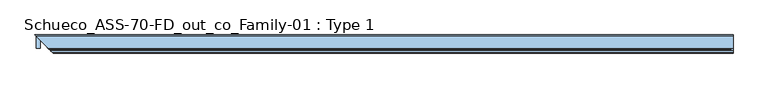
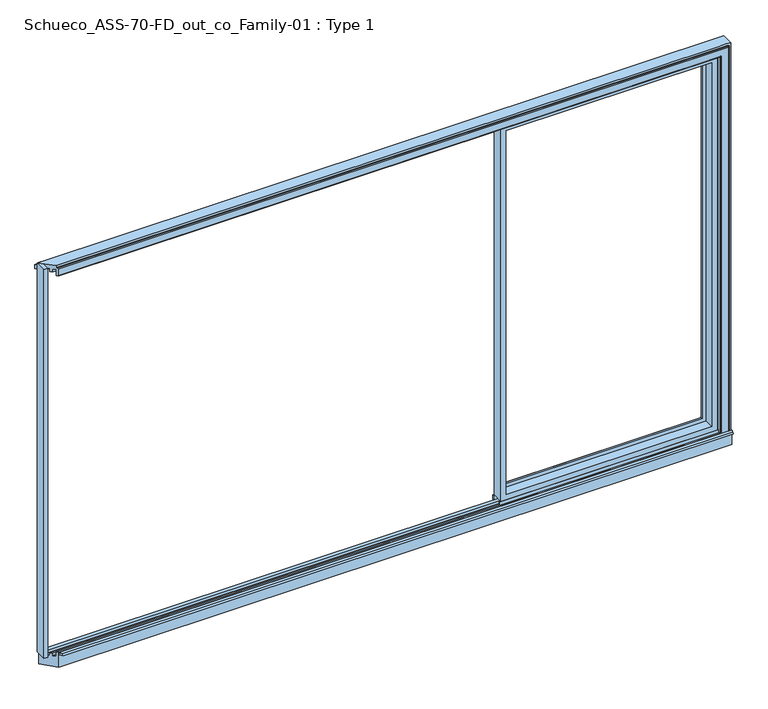
"""IFC4 building model written with IfcOpenShell, lengths in millimetres: window geometry, Schueco_ASS-70-FD_out_co_Family-01 : Type 1."""

from ifc_helpers import new_model, si_unit, point, frame, frame_2d, origin, origin_with_axes, place, context, project, spatial, polyline, circle_curve, ellipse_curve, trimmed, segment, composite_curve, outline, extrude, faceted_brep, source, transform, mapped, element, save
from ifc_brep_helpers import plane_surface, cylinder_surface, advanced_brep


def schueco_ass_70_fd_out_co_family_01_type_1_072c4fac(model_context):
    return source(origin(), model_context, "Body", "SolidModel", [
        advanced_brep(
        [(1912.8, -70.0, 2337.0), (1912.8, -70.0, 36.0), (1912.8, 0.0, 36.0), (1912.8, 0.0, 2337.0), (656.0333333, -70.0, 36.0), (656.0333333, 0.0, 36.0), (656.0333333, 0.0, 2337.0), (705.5325234, 0.0, 85.4991901), (1863.3008099, 0.0, 85.4991901), (1863.3008099, 0.0, 2287.5008099), (705.5325234, 0.0, 2287.5008099), (656.0333333, -70.0, 2337.0), (1880.8, -70.0, 68.0), (688.0333333, -70.0, 68.0), (688.0333333, -70.0, 2305.0), (1880.8, -70.0, 2305.0), (1880.8, -13.999939, 2305.0), (1880.8, -13.999939, 68.0), (688.0333333, -13.999939, 68.0), (688.0333333, -13.999939, 2305.0), (1858.8004272, -13.999939, 89.9995728), (710.0329061, -13.999939, 89.9995728), (710.0329061, -13.999939, 2283.0004272), (1858.8004272, -13.999939, 2283.0004272), (1858.8004272, -4.5004435, 2283.0004272), (1858.8004272, -4.5004435, 89.9995728), (710.0329061, -4.5004435, 89.9995728), (710.0329061, -4.5004435, 2283.0004272)],
        [
            (0, 1),
            (1, 2),
            (2, 3),
            (3, 0),
            (1, 4),
            (4, 5),
            (5, 2),
            (5, 6),
            (6, 3),
            (7, 8),
            (8, 9),
            (9, 10),
            (10, 7),
            (4, 11),
            (11, 6),
            (0, 11),
            (12, 13),
            (13, 14),
            (14, 15),
            (15, 12),
            (16, 17),
            (17, 12),
            (15, 16),
            (17, 18),
            (18, 13),
            (18, 19),
            (19, 14),
            (16, 19),
            (20, 21),
            (21, 22),
            (22, 23),
            (23, 20),
            (24, 25),
            (25, 20),
            (23, 24),
            (25, 26),
            (26, 21),
            (26, 27),
            (27, 22),
            (7, 26, ellipse_curve(frame((705.5325234, -4.5004435, 85.4991901), z_axis=(0.7071067811865475, 0.0, -0.7071067811865475), x_axis=(0.7071067811865476, 0.0, 0.7071067811865474)), 6.3645023, 4.5003827)),
            (25, 8, ellipse_curve(frame((1863.3008099, -4.5004435, 85.4991901), z_axis=(-0.7071067811865475, 0.0, -0.7071067811865475), x_axis=(0.7071067811865476, 0.0, -0.7071067811865474)), 6.3645023, 4.5003827)),
            (24, 9, ellipse_curve(frame((1863.3008099, -4.5004435, 2287.5008099), z_axis=(0.7071067811865475, 0.0, -0.7071067811865475), x_axis=(0.7071067811865474, 0.0, 0.7071067811865476)), 6.3645023, 4.5003827)),
            (10, 27, ellipse_curve(frame((705.5325234, -4.5004435, 2287.5008099), z_axis=(-0.7071067811865475, 0.0, -0.7071067811865475), x_axis=(0.7071067811865474, 0.0, -0.7071067811865476)), 6.3645023, 4.5003827)),
            (27, 24),
        ],
        [
            plane_surface(frame((1912.8, 0.0, 2337.0), z_axis=(1.0, 0.0, 0.0), x_axis=(0.0, 0.0, -1.0))),
            plane_surface(frame((1912.8, 0.0, 36.0), z_axis=(0.0, 0.0, -1.0), x_axis=(-1.0, 0.0, 0.0))),
            plane_surface(frame((1863.3008099, 0.0, 2287.5008099), z_axis=(0.0, 1.0, 0.0), x_axis=(0.0, 0.0, -1.0))),
            plane_surface(frame((656.0333333, 0.0, 36.0), z_axis=(-1.0, 0.0, 0.0), x_axis=(0.0, 0.0, 1.0))),
            plane_surface(frame((1912.8, -70.0, 2337.0), z_axis=(0.0, -1.0, 0.0), x_axis=(0.0, 0.0, -1.0))),
            plane_surface(frame((1880.8, -70.0, 2305.0), z_axis=(-1.0, 0.0, 0.0), x_axis=(0.0, 0.0, -1.0))),
            plane_surface(frame((1880.8, -70.0, 68.0), z_axis=(0.0, 0.0, 1.0), x_axis=(-1.0, 0.0, 0.0))),
            plane_surface(frame((688.0333333, -70.0, 68.0), z_axis=(1.0, 0.0, 0.0), x_axis=(0.0, 0.0, 1.0))),
            plane_surface(frame((1880.8, -13.999939, 2305.0), z_axis=(0.0, -1.0, 0.0), x_axis=(0.0, 0.0, -1.0))),
            plane_surface(frame((1858.8004272, -13.999939, 2283.0004272), z_axis=(-1.0, 0.0, 0.0), x_axis=(0.0, 0.0, -1.0))),
            plane_surface(frame((1858.8004272, -13.999939, 89.9995728), z_axis=(0.0, 0.0, 1.0), x_axis=(-1.0, 0.0, 0.0))),
            plane_surface(frame((710.0329061, -13.999939, 89.9995728), z_axis=(1.0, 0.0, 0.0), x_axis=(0.0, 0.0, 1.0))),
            cylinder_surface(frame((1918.8, -4.5004435, 85.4991901), z_axis=(1.0, 0.0, 0.0), x_axis=(0.0, -1.0, 0.0)), 4.5003827),
            cylinder_surface(frame((1863.3008099, -4.5004435, 2343.0), z_axis=(0.0, 0.0, 1.0), x_axis=(0.0, -1.0, 0.0)), 4.5003827),
            cylinder_surface(frame((705.5325234, -4.5004435, 30.0), z_axis=(0.0, 0.0, -1.0), x_axis=(0.0, -1.0, 0.0)), 4.5003827),
            plane_surface(frame((656.0333333, 0.0, 2337.0), z_axis=(0.0, 0.0, 1.0), x_axis=(1.0, 0.0, 0.0))),
            plane_surface(frame((688.0333333, -70.0, 2305.0), z_axis=(0.0, 0.0, -1.0), x_axis=(1.0, 0.0, 0.0))),
            plane_surface(frame((710.0329061, -13.999939, 2283.0004272), z_axis=(0.0, 0.0, -1.0), x_axis=(1.0, 0.0, 0.0))),
            cylinder_surface(frame((650.0333333, -4.5004435, 2287.5008099), z_axis=(-1.0, 0.0, 0.0), x_axis=(0.0, -1.0, 0.0)), 4.5003827),
        ],
        [
            (0, [[1, 2, 3, 4]]),
            (1, [[5, 6, 7, -2]]),
            (2, [[-7, 8, 9, -3], [10, 11, 12, 13]]),
            (3, [[14, 15, -8, -6]]),
            (4, [[-5, -1, 16, -14], [17, 18, 19, 20]]),
            (5, [[21, 22, -20, 23]]),
            (6, [[24, 25, -17, -22]]),
            (7, [[26, 27, -18, -25]]),
            (8, [[-24, -21, 28, -26], [29, 30, 31, 32]]),
            (9, [[33, 34, -32, 35]]),
            (10, [[36, 37, -29, -34]]),
            (11, [[38, 39, -30, -37]]),
            (12, [[-10, 40, -36, 41]]),
            (13, [[-11, -41, -33, 42]]),
            (14, [[-13, 43, -38, -40]]),
            (15, [[-16, -4, -9, -15]]),
            (16, [[-28, -23, -19, -27]]),
            (17, [[44, -35, -31, -39]]),
            (18, [[-12, -42, -44, -43]]),
        ],
    ),
        extrude(outline(polyline([(1918.8, -7.6000076), (650.0333333, -7.6000076), (650.0333333, 0.0), (1918.8, 0.0), (1918.8, -7.6000076)])), frame((0.0, 0.0, 10.0), z_axis=(0.0, 0.0, 1.0), x_axis=(1.0, 0.0, 0.0)), (0.0, 0.0, 1.0), 26.0),
        extrude(outline(polyline([(1918.8, -70.0), (650.0333333, -70.0), (650.0333333, -62.2757497), (1918.8, -62.2757497), (1918.8, -70.0)])), frame((0.0, 0.0, 10.0), z_axis=(0.0, 0.0, 1.0), x_axis=(1.0, 0.0, 0.0)), (0.0, 0.0, 1.0), 26.0),
        extrude(outline(composite_curve([segment(polyline([(-17.955674, 2339.1400778), (-1.3636404, 2339.1400778), (0.0, 2342.963961), (0.0, 2348.6420698), (0.8937897, 2348.6420698), (1.8738669, 2344.9939222)]), True, "CONTINUOUS"), segment(trimmed(circle_curve(frame_2d((-0.0576456, 2344.4750201)), 2.0), [point((1.8738669, 2344.9939222))], [point((1.8735116, 2343.9547971))], False, "CARTESIAN"), True, "CONTINUOUS"), segment(polyline([(1.8735116, 2343.9547971), (0.0, 2337.0), (-17.955674, 2337.0), (-17.955674, 2339.1400778)]), True, "CONTINUOUS")], self_intersect=False)), frame((650.0333333, 0.0, 0.0), z_axis=(1.0, 0.0, 0.0), x_axis=(0.0, 1.0, 0.0)), (0.0, 0.0, 1.0), 1268.7666667),
        advanced_brep(
        [(1977.999939, -70.0, 2377.999939), (1977.999939, -75.4999847, 2377.999939), (1977.999939, -75.4999847, 15.0001242), (1977.999939, -70.0, 15.0001242), (1965.9997864, -70.0, 2377.999939), (1990.0, -70.0, 15.0001242), (1990.0, -70.0, 2390.0), (1965.9997864, -70.0, 2390.0), (1918.8, -70.0, 2390.0), (-1930.0005233, -70.0, 2390.0), (-1930.0005233, -70.0, 2377.999939), (1918.8, -70.0, 2377.999939), (1990.0, -79.9990858, 15.0001242), (1973.499939, -79.9999847, 15.0001242), (1932.5000916, -79.9999847, 15.0001242), (1930.0000916, -77.4999847, 15.0001242), (1930.0000916, -70.0, 15.0001242), (1918.8, -70.0, 15.0001242), (-1930.0012863, -69.999237, 15.0001242), (-1920.0009789, -79.9995444, 15.0001242), (1990.0, 0.0, 2390.0), (1990.0, -79.9990858, -74.9993426), (1990.0, -5.9996948, -74.9993426), (1990.0, -5.9996948, 0.0007157), (1990.0, 0.0, 0.0), (1990.0, -23.7497619, -12.0998308), (1990.0, -46.2497619, -12.0998308), (1990.0, -46.2497619, 0.0), (1990.0, -23.7497619, 0.0), (1990.0, -55.8497731, -12.0998308), (1990.0, -69.9992231, -12.0998308), (1990.0, -70.0, 0.0), (1990.0, -55.8497731, 0.0), (1973.499939, -79.9999847, 2373.499939), (-1920.0005385, -79.9999847, 2373.499939), (-1920.0005385, -79.9999847, 2332.5000916), (1932.5000916, -79.9999847, 2332.5000916), (-1920.0005385, -79.9999847, -74.9993426), (1930.0000916, -77.4999847, 2330.0000916), (-2000.0007111, 0.0001879, 0.0), (-1994.0008284, -5.9996948, 0.0), (-1994.0008284, -5.9996948, -74.9993426), (-1930.0013002, -69.9992231, -12.0998308), (-1944.1507502, -55.8497731, -12.0998308), (-1944.1507502, -55.8497731, 3.5005918), (-1953.7507613, -46.2497619, 3.5005918), (-1953.7507613, -46.2497619, -12.0998308), (-1976.2507613, -23.7497619, -12.0998308), (-1976.2507613, -23.7497619, 3.5005918), (-2000.0, -0.0005233, 3.5005918), (-1924.5005385, -75.4999847, 2377.999939), (-2000.0002616, -0.0002616, 2390.0), (-2000.0005233, 0.0, 2345.0), (-1996.5005233, -3.5, 2345.0), (-1996.5005233, -3.5, 2365.9997864), (-1985.8504989, -14.1500244, 2365.9997864), (-1985.8504989, -14.1500244, 2349.000061), (-1976.2505233, -23.75, 2349.000061), (-1976.2505233, -23.75, 2365.9997864), (-1953.7506072, -46.2499161, 2365.9997864), (-1953.7506072, -46.2499161, 2349.000061), (-1944.1506545, -55.8498688, 2349.000061), (-1944.1506545, -55.8498688, 2365.9997864), (-1930.0005233, -70.0, 2365.9997864), (-1930.0005233, -70.0, 2330.0000916), (-1922.5005385, -77.4999847, 2330.0000916), (1930.0000916, -70.0, 2330.0000916), (1918.8, -70.0, 2330.0000916), (1918.8, 0.0, 2345.0), (1918.8, 0.0, 3.5005918), (1945.0, 0.0, 2345.0), (1940.0003662, 0.0, 2345.0), (1940.0003662, 0.0, 3.5005918), (1945.0, 0.0, 3.5005918), (1945.0, -3.5, 2345.0), (1945.0, -3.5000916, 3.5005918), (1918.8, -23.7497619, 3.5005918), (1940.0003662, -3.5000914, 3.5005918), (1940.0003662, -3.5000916, 2345.0), (1918.8, -46.2497619, 0.0), (1918.8, -23.7497619, 0.0), (1918.8, -70.0, 0.0), (1918.8, -55.8497731, 0.0), (1918.8, -70.0, 2365.9997864), (1918.8, -55.8498688, 2365.9997864), (1918.8, -55.8498688, 2349.000061), (1918.8, -46.2499161, 2349.000061), (1918.8, -46.2499161, 2365.9997864), (1918.8, -23.75, 2365.9997864), (1918.8, -23.75, 2349.000061), (1918.8, -14.1500244, 2349.000061), (1918.8, -14.1500244, 2365.9997864), (1918.8, -3.5, 2365.9997864), (1918.8, -3.5, 2345.0), (1918.8, -46.2497619, 3.5005918), (1918.8, -55.8497731, 3.5005918)],
        [
            (0, 1),
            (1, 2),
            (2, 3),
            (3, 0),
            (4, 0),
            (3, 5),
            (5, 6),
            (6, 7),
            (7, 8),
            (8, 9),
            (9, 10),
            (10, 11),
            (11, 4),
            (12, 5),
            (2, 13, circle_curve(frame((1973.499939, -75.4999847, 15.0001242), z_axis=(0.0, 0.0, -1.0), x_axis=(-1.0, 0.0, 0.0)), 4.5)),
            (13, 12),
            (14, 15, circle_curve(frame((1932.5000916, -77.4999847, 15.0001242), z_axis=(0.0, 0.0, -1.0), x_axis=(-1.0, 0.0, 0.0)), 2.5)),
            (15, 16),
            (16, 17),
            (17, 18),
            (18, 19),
            (19, 14),
            (20, 6),
            (12, 21),
            (21, 22),
            (22, 23),
            (23, 24),
            (24, 20),
            (25, 26),
            (26, 27),
            (27, 28),
            (28, 25),
            (29, 30),
            (30, 31),
            (31, 32),
            (32, 29),
            (1, 33, ellipse_curve(frame((1973.499939, -75.4999847, 2373.499939), z_axis=(0.7071067811865475, 0.0, -0.7071067811865475), x_axis=(-0.7071067811865474, 0.0, -0.7071067811865476)), 6.363961, 4.5)),
            (33, 13),
            (33, 34),
            (34, 35),
            (35, 36),
            (36, 14),
            (19, 37),
            (37, 21),
            (36, 38, ellipse_curve(frame((1932.5000916, -77.4999847, 2332.5000916), z_axis=(0.7071067811865475, 0.0, -0.7071067811865475), x_axis=(-0.7071067811865474, 0.0, -0.7071067811865476)), 3.5355339, 2.5)),
            (38, 15),
            (39, 40),
            (40, 41),
            (41, 37),
            (18, 42),
            (42, 43),
            (43, 44),
            (44, 45),
            (45, 46),
            (46, 47),
            (47, 48),
            (48, 49),
            (49, 39),
            (50, 10),
            (9, 51),
            (51, 52),
            (52, 53),
            (53, 54),
            (54, 55),
            (55, 56),
            (56, 57),
            (57, 58),
            (58, 59),
            (59, 60),
            (60, 61),
            (61, 62),
            (62, 63),
            (63, 64),
            (64, 65),
            (65, 35, ellipse_curve(frame((-1922.5005385, -77.4999847, 2332.5000916), z_axis=(-0.7071067811865475, -0.7071067811865477, 0.0), x_axis=(0.7071067811865475, -0.7071067811865475, 0.0)), 3.5355339, 2.5)),
            (34, 50, ellipse_curve(frame((-1924.5005385, -75.4999847, 2373.499939), z_axis=(-0.7071067811865475, -0.7071067811865477, 0.0), x_axis=(0.7071067811865475, -0.7071067811865475, 0.0)), 6.363961, 4.5)),
            (41, 22),
            (38, 66),
            (66, 16),
            (66, 67),
            (67, 17),
            (68, 52),
            (51, 20),
            (24, 39),
            (49, 69),
            (69, 68),
            (70, 71),
            (71, 72),
            (72, 73),
            (73, 70),
            (74, 70),
            (73, 75),
            (75, 74),
            (48, 76),
            (76, 69),
            (72, 77),
            (77, 75),
            (78, 74),
            (77, 78),
            (23, 40),
            (79, 80),
            (80, 28),
            (27, 79),
            (81, 82),
            (82, 32),
            (31, 81),
            (83, 84),
            (84, 85),
            (85, 86),
            (86, 87),
            (87, 88),
            (88, 89),
            (89, 90),
            (90, 91),
            (91, 92),
            (92, 93),
            (93, 68),
            (76, 80),
            (79, 94),
            (94, 95),
            (95, 82),
            (81, 17),
            (67, 83),
            (71, 78),
            (25, 47),
            (46, 26),
            (45, 94),
            (29, 43),
            (42, 30),
            (95, 44),
            (50, 1),
            (65, 38),
            (64, 67),
            (63, 83),
            (62, 84),
            (61, 85),
            (60, 86),
            (59, 87),
            (58, 88),
            (57, 89),
            (56, 90),
            (55, 91),
            (54, 92),
            (53, 93),
        ],
        [
            plane_surface(frame((1977.999939, -70.0, 0.0), z_axis=(1.0, 0.0, 0.0), x_axis=(0.0, 0.0, 1.0))),
            plane_surface(frame((1990.0, -70.0, 0.0), z_axis=(0.0, -1.0, 0.0), x_axis=(0.0, 0.0, 1.0))),
            plane_surface(frame((1990.0, -69.9992231, 15.0001242), z_axis=(0.0, 0.0, 1.0), x_axis=(-1.0, 0.0, 0.0))),
            plane_surface(frame((1990.0, 0.0, 0.0), z_axis=(1.0, 0.0, 0.0), x_axis=(0.0, 0.0, 1.0))),
            cylinder_surface(frame((1973.499939, -75.4999847, 0.0), z_axis=(0.0, 0.0, -1.0), x_axis=(-1.0, 0.0, 0.0)), 4.5),
            plane_surface(frame((1973.499939, -79.9999847, 0.0), z_axis=(0.0, -1.0, 0.0), x_axis=(0.0, 0.0, 1.0))),
            cylinder_surface(frame((1932.5000916, -77.4999847, 0.0), z_axis=(0.0, 0.0, -1.0), x_axis=(-1.0, 0.0, 0.0)), 2.5),
            plane_surface(frame((-1871.7942847, -128.2062385, 2390.0), z_axis=(-0.7071067811865475, -0.7071067811865477, 0.0), x_axis=(0.0, 0.0, -1.0))),
            plane_surface(frame((1990.0, -79.9990858, -74.9993426), z_axis=(0.0, 0.0, -1.0), x_axis=(-1.0, 0.0, 0.0))),
            plane_surface(frame((1930.0000916, -77.4999847, 0.0), z_axis=(-1.0, 0.0, 0.0), x_axis=(0.0, 0.0, 1.0))),
            plane_surface(frame((1918.8, -70.0, 2390.0), z_axis=(0.0, -1.0, 0.0), x_axis=(0.0, 0.0, -1.0))),
            plane_surface(frame((1945.0, 0.0, 0.0), z_axis=(0.0, 1.0, 0.0), x_axis=(0.0, 0.0, 1.0))),
            plane_surface(frame((1945.0, -3.5, 0.0), z_axis=(-1.0, 0.0, 0.0), x_axis=(0.0, 0.0, 1.0))),
            plane_surface(frame((1990.0, 0.000899, 3.5005918), z_axis=(0.0, 0.0, 1.0), x_axis=(-1.0, 0.0, 0.0))),
            plane_surface(frame((1965.9997864, -3.5000916, 2390.0), z_axis=(0.0, 1.0, 0.0), x_axis=(0.0, 0.0, -1.0))),
            plane_surface(frame((1990.0, -70.0, 0.0), z_axis=(0.0, 0.0, -1.0), x_axis=(0.0, -1.0, 0.0))),
            plane_surface(frame((1918.8, 0.0, 2390.0), z_axis=(-1.0, 0.0, 0.0), x_axis=(0.0, 0.0, -1.0))),
            plane_surface(frame((1940.0003662, -3.5000916, 2390.0), z_axis=(1.0, 0.0, 0.0), x_axis=(0.0, 0.0, -1.0))),
            plane_surface(frame((1990.0, -5.9996948, -74.9993426), z_axis=(0.0, 1.0, 0.0), x_axis=(-1.0, 0.0, 0.0))),
            plane_surface(frame((1990.0, -23.7497619, -12.0998308), z_axis=(0.0, 0.0, 1.0), x_axis=(-1.0, 0.0, 0.0))),
            plane_surface(frame((1990.0, -46.2497619, -12.0998308), z_axis=(0.0, 1.0, 0.0), x_axis=(-1.0, 0.0, 0.0))),
            plane_surface(frame((1990.0, -23.7497619, 3.5005918), z_axis=(0.0, -1.0, 0.0), x_axis=(-1.0, 0.0, 0.0))),
            plane_surface(frame((1990.0, -55.8497731, -12.0998308), z_axis=(0.0, 0.0, 1.0), x_axis=(-1.0, 0.0, 0.0))),
            plane_surface(frame((1990.0, -69.9992231, -12.0998308), z_axis=(0.0, 1.0, 0.0), x_axis=(-1.0, 0.0, 0.0))),
            plane_surface(frame((1990.0, -55.8497731, 3.5005918), z_axis=(0.0, -1.0, 0.0), x_axis=(-1.0, 0.0, 0.0))),
            plane_surface(frame((1990.0, -46.2497619, 3.5005918), z_axis=(0.0, 0.0, 1.0), x_axis=(-1.0, 0.0, 0.0))),
            plane_surface(frame((1977.999939, -70.0, 2377.999939), z_axis=(0.0, 0.0, 1.0), x_axis=(-1.0, 0.0, 0.0))),
            cylinder_surface(frame((1990.0, -75.4999847, 2373.499939), z_axis=(1.0, 0.0, 0.0), x_axis=(0.0, 0.0, -1.0)), 4.5),
            cylinder_surface(frame((1990.0, -77.4999847, 2332.5000916), z_axis=(1.0, 0.0, 0.0), x_axis=(0.0, 0.0, -1.0)), 2.5),
            plane_surface(frame((1930.0000916, -77.4999847, 2330.0000916), z_axis=(0.0, 0.0, -1.0), x_axis=(-1.0, 0.0, 0.0))),
            plane_surface(frame((1930.0000916, -70.0, 0.0), z_axis=(0.0, 1.0, 0.0), x_axis=(0.0, 0.0, 1.0))),
            plane_surface(frame((1965.9997864, -70.0, 2365.9997864), z_axis=(0.0, 0.0, -1.0), x_axis=(-1.0, 0.0, 0.0))),
            plane_surface(frame((1965.9997864, -55.8498688, 0.0), z_axis=(0.0, -1.0, 0.0), x_axis=(0.0, 0.0, 1.0))),
            plane_surface(frame((1949.000061, -55.8498688, 2349.000061), z_axis=(0.0, 0.0, -1.0), x_axis=(-1.0, 0.0, 0.0))),
            plane_surface(frame((1949.000061, -46.2499161, 0.0), z_axis=(0.0, 1.0, 0.0), x_axis=(0.0, 0.0, 1.0))),
            plane_surface(frame((1965.9997864, -46.2499161, 2365.9997864), z_axis=(0.0, 0.0, -1.0), x_axis=(-1.0, 0.0, 0.0))),
            plane_surface(frame((1965.9997864, -23.75, 0.0), z_axis=(0.0, -1.0, 0.0), x_axis=(0.0, 0.0, 1.0))),
            plane_surface(frame((1949.000061, -23.75, 2349.000061), z_axis=(0.0, 0.0, -1.0), x_axis=(-1.0, 0.0, 0.0))),
            plane_surface(frame((1949.000061, -14.1500244, 0.0), z_axis=(0.0, 1.0, 0.0), x_axis=(0.0, 0.0, 1.0))),
            plane_surface(frame((1965.9997864, -14.1500244, 2365.9997864), z_axis=(0.0, 0.0, -1.0), x_axis=(-1.0, 0.0, 0.0))),
            plane_surface(frame((1965.9997864, -3.5, 0.0), z_axis=(0.0, -1.0, 0.0), x_axis=(0.0, 0.0, 1.0))),
            plane_surface(frame((1945.0, -3.5, 2345.0), z_axis=(0.0, 0.0, -1.0), x_axis=(-1.0, 0.0, 0.0))),
            plane_surface(frame((1990.0, 0.0, 2390.0), z_axis=(0.0, 0.0, 1.0), x_axis=(-1.0, 0.0, 0.0))),
        ],
        [
            (0, [[1, 2, 3, 4]]),
            (1, [[5, -4, 6, 7, 8, 9, 10, 11, 12, 13]]),
            (2, [[14, -6, -3, 15, 16]]),
            (2, [[17, 18, 19, 20, 21, 22]]),
            (3, [[23, -7, -14, 24, 25, 26, 27, 28], [29, 30, 31, 32], [33, 34, 35, 36]]),
            (4, [[37, 38, -15, -2]]),
            (5, [[-24, -16, -38, 39, 40, 41, 42, -22, 43, 44]]),
            (6, [[45, 46, -17, -42]]),
            (7, [[47, 48, 49, -43, -21, 50, 51, 52, 53, 54, 55, 56, 57, 58]]),
            (7, [[59, -11, 60, 61, 62, 63, 64, 65, 66, 67, 68, 69, 70, 71, 72, 73, 74, 75, -40, 76]]),
            (8, [[-25, -44, -49, 77]]),
            (9, [[78, 79, -18, -46]]),
            (10, [[80, 81, -19, -79]]),
            (11, [[82, -61, 83, -28, 84, -58, 85, 86], [87, 88, 89, 90]]),
            (12, [[91, -90, 92, 93]]),
            (13, [[-85, -57, 94, 95]]),
            (13, [[-89, 96, 97, -92]]),
            (14, [[98, -93, -97, 99]]),
            (15, [[-27, 100, -47, -84]]),
            (15, [[101, 102, -31, 103]]),
            (15, [[104, 105, -35, 106]]),
            (16, [[107, 108, 109, 110, 111, 112, 113, 114, 115, 116, 117, -86, -95, 118, -101, 119, 120, 121, -104, 122, -81, 123]]),
            (17, [[124, -99, -96, -88]]),
            (18, [[-26, -77, -48, -100]]),
            (19, [[-29, 125, -55, 126]]),
            (20, [[-30, -126, -54, 127, -119, -103]]),
            (21, [[-32, -102, -118, -94, -56, -125]]),
            (22, [[-33, 128, -51, 129]]),
            (23, [[-34, -129, -50, -20, -122, -106]]),
            (24, [[-36, -105, -121, 130, -52, -128]]),
            (25, [[-120, -127, -53, -130]]),
            (26, [[-1, -5, -13, -12, -59, 131]]),
            (27, [[-37, -131, -76, -39]]),
            (28, [[-45, -41, -75, 132]]),
            (29, [[-78, -132, -74, 133, -80]]),
            (30, [[-123, -133, -73, 134]]),
            (31, [[-107, -134, -72, 135]]),
            (32, [[-108, -135, -71, 136]]),
            (33, [[-109, -136, -70, 137]]),
            (34, [[-110, -137, -69, 138]]),
            (35, [[-111, -138, -68, 139]]),
            (36, [[-112, -139, -67, 140]]),
            (37, [[-113, -140, -66, 141]]),
            (38, [[-114, -141, -65, 142]]),
            (39, [[-115, -142, -64, 143]]),
            (40, [[-116, -143, -63, 144]]),
            (41, [[-82, -117, -144, -62]]),
            (41, [[-91, -98, -124, -87]]),
            (42, [[-23, -83, -60, -10, -9, -8]]),
        ],
    ),
        advanced_brep(
        [(1990.0, -79.9999847, 0.0), (1990.0, -79.9999847, 15.0001242), (1990.0, -90.5262865, 9.2500295), (1990.0, -95.8667001, 0.0), (-1920.0005385, -79.9999847, 0.0), (-1920.0005385, -79.9999847, 15.0001242), (-1909.4742368, -90.5262865, 9.2500295), (-1904.1338232, -95.8667001, 0.0)],
        [
            (0, 1),
            (1, 2, circle_curve(frame((1990.0, -80.5446174, 3.4872111), z_axis=(1.0, 0.0, 0.0), x_axis=(0.0, -1.0, 0.0)), 11.5257882)),
            (2, 3),
            (3, 0),
            (0, 4),
            (4, 5),
            (5, 1),
            (5, 6, ellipse_curve(frame((-1919.4559058, -80.5446174, 3.4872111), z_axis=(0.7071067811865475, 0.7071067811865477, 0.0), x_axis=(0.7071067811865475, -0.7071067811865475, 0.0)), 16.299926, 11.5257882)),
            (6, 2),
            (6, 7),
            (7, 3),
            (7, 4),
        ],
        [
            plane_surface(frame((1990.0, -79.9999847, 15.0001242), z_axis=(1.0, 0.0, 0.0), x_axis=(0.0, 0.0, 1.0))),
            plane_surface(frame((1990.0, -79.9999847, 0.0), z_axis=(0.0, 1.0, 0.0), x_axis=(-1.0, 0.0, 0.0))),
            cylinder_surface(frame((1990.0, -80.5446174, 3.4872111), z_axis=(1.0, 0.0, 0.0), x_axis=(0.0, -1.0, 0.0)), 11.5257882),
            plane_surface(frame((1990.0, -90.5262865, 9.2500295), z_axis=(0.0, -0.8660291938285402, 0.49999343539359486), x_axis=(-1.0, 0.0, 0.0))),
            plane_surface(frame((1990.0, -95.8667001, 0.0), z_axis=(0.0, 0.0, -1.0), x_axis=(-1.0, 0.0, 0.0))),
            plane_surface(frame((-1871.7942847, -128.2062385, 2390.0), z_axis=(-0.7071067811865475, -0.7071067811865477, 0.0), x_axis=(0.0, 0.0, -1.0))),
        ],
        [
            (0, [[1, 2, 3, 4]]),
            (1, [[-1, 5, 6, 7]]),
            (2, [[-2, -7, 8, 9]]),
            (3, [[-3, -9, 10, 11]]),
            (4, [[-4, -11, 12, -5]]),
            (5, [[-6, -12, -10, -8]]),
        ],
    ),
        faceted_brep([(1990.0, 7.7224991, 2377.8134468), (1990.0, 0.0, 2382.2763596), (1990.0, 0.0, 2353.0010125), (1990.0, 7.7224991, 2353.0010125), (-2007.7230223, 7.7224991, 2377.8134468), (-2000.0005233, 0.0, 2382.2763596), (-2000.0005233, 0.0, 2353.0010125), (-2007.7230223, 7.7224991, 2353.0010125)], [[[0, 1, 2, 3]], [[1, 0, 4, 5]], [[2, 1, 5, 6]], [[3, 2, 6, 7]], [[0, 3, 7, 4]], [[5, 4, 7, 6]]]),
        extrude(outline(polyline([(-1977.0, 0.0), (-1977.0, -70.0), (-2000.0, -70.0), (-2000.0, 0.0), (-1977.0, 0.0)])), origin_with_axes(), (0.0, 0.0, 1.0), 2390.0),
    ])


if __name__ == "__main__":
    model = new_model("IFC4")
    model_context = context("Model", 3, world=origin())
    ifc_project = project(units=[si_unit("LENGTHUNIT", "METRE", prefix="MILLI")], contexts=[model_context])
    site = spatial("IfcSite", under=ifc_project)
    building = spatial("IfcBuilding", under=site)
    placement = place(None, origin())
    schueco_ass_70_fd_out_co_family_01_type_1_shape = schueco_ass_70_fd_out_co_family_01_type_1_072c4fac(model_context)
    element("IfcWindow", 1, ObjectType="Schueco_ASS-70-FD_out_co_Family-01 : Type 1", at=placement, inside=building, context=model_context, shape_type="MappedRepresentation", body=[
        mapped(schueco_ass_70_fd_out_co_family_01_type_1_shape, transform((0.0, 0.0, 0.0), x_axis=(1.0, 0.0, 0.0), y_axis=(0.0, 1.0, 0.0), z_axis=(0.0, 0.0, 1.0))),
    ])
    save(model, "model.ifc")
